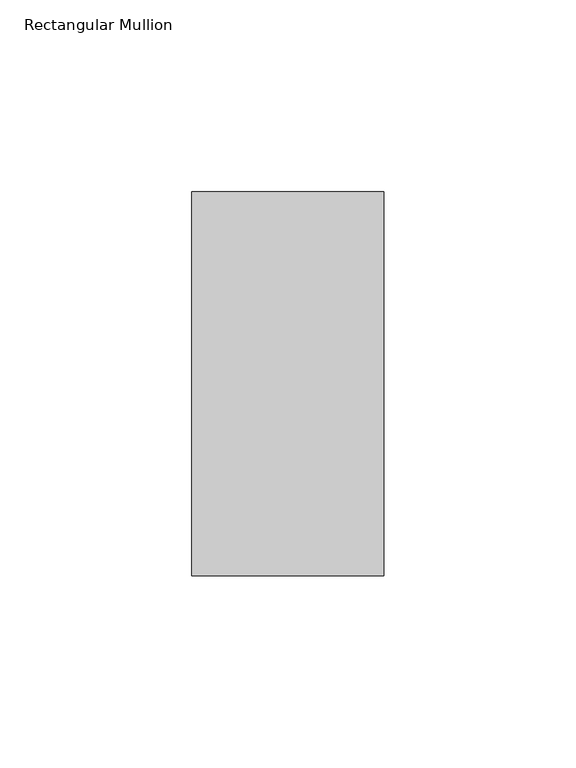
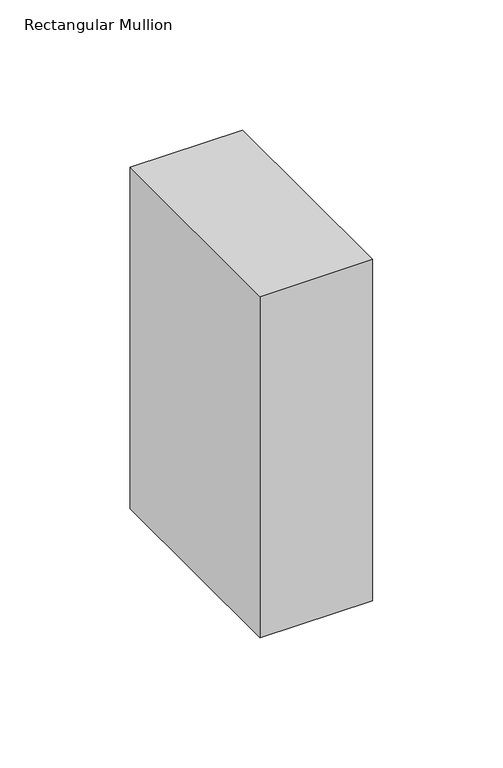
"""IFC4 building model written with IfcOpenShell, lengths in millimetres: member geometry, Rectangular Mullion."""

from ifc_helpers import new_model, si_unit, frame, origin, place, context, project, spatial, polyline, outline, extrude, source, transform, mapped, element, save


def rectangular_mullion_9c203bc5(model_context):
    return source(origin(), model_context, "Body", "SweptSolid", [
        extrude(outline(polyline([(0.0, 31.0), (0.0, -69.0), (-50.0, -69.0), (-50.0, 31.0), (0.0, 31.0)])), frame((0.0, 0.0, -160.0), z_axis=(0.0, 0.0, 1.0), x_axis=(1.0, 0.0, 0.0)), (0.0, 0.0, 1.0), 160.0),
    ])


if __name__ == "__main__":
    model = new_model("IFC4")
    model_context = context("Model", 3, world=origin())
    ifc_project = project(units=[si_unit("LENGTHUNIT", "METRE", prefix="MILLI")], contexts=[model_context])
    site = spatial("IfcSite", under=ifc_project)
    building = spatial("IfcBuilding", under=site)
    placement = place(None, origin())
    rectangular_mullion_shape = rectangular_mullion_9c203bc5(model_context)
    element("IfcMember", 1, ObjectType="Rectangular Mullion", at=placement, inside=building, context=model_context, shape_type="MappedRepresentation", body=[
        mapped(rectangular_mullion_shape, transform((0.0, 0.0, 0.0), x_axis=(1.0, 0.0, 0.0), y_axis=(0.0, 1.0, 0.0), z_axis=(0.0, 0.0, 1.0))),
    ])
    save(model, "model.ifc")
